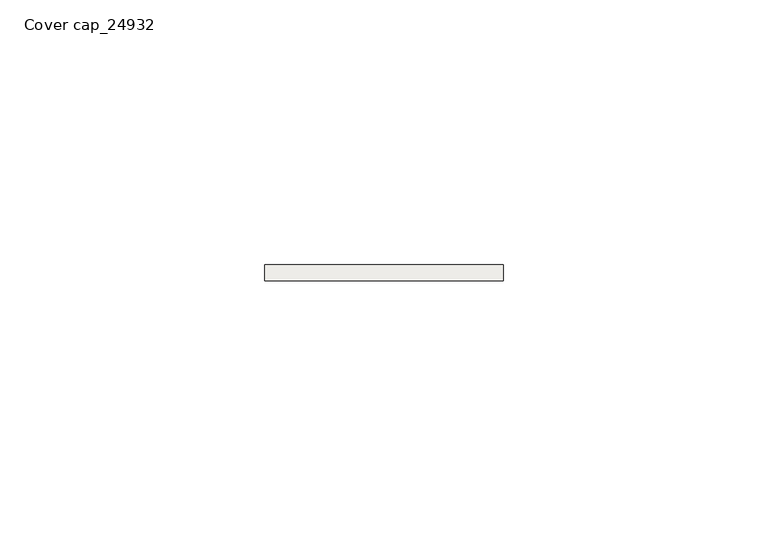
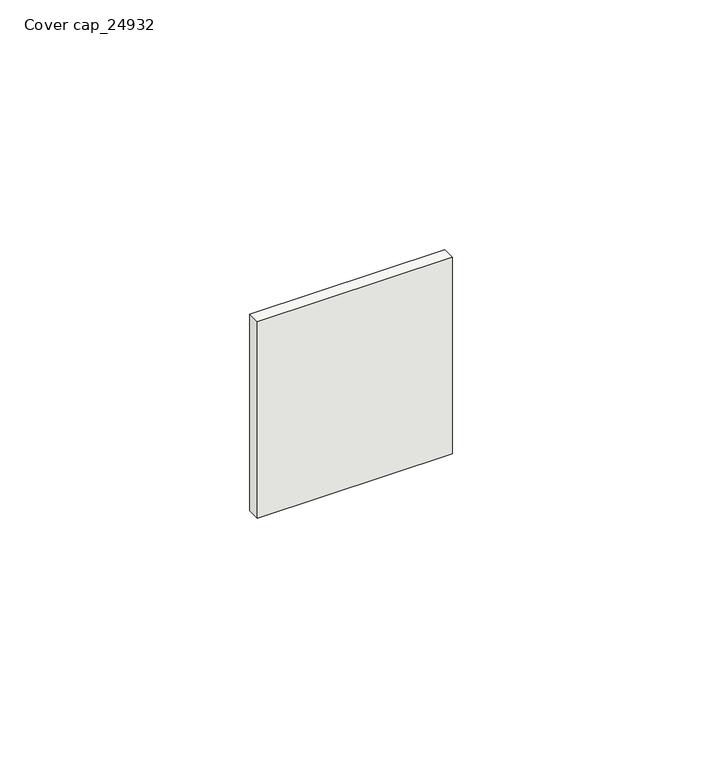
"""IFC4 building model written with IfcOpenShell, lengths in millimetres: covering geometry, Cover cap_24932."""

from ifc_helpers import new_model, si_unit, frame, origin, place, context, project, spatial, polyline, outline, extrude, source, transform, mapped, element, save


def cover_cap_24932_caeed0df(model_context):
    return source(origin(), model_context, "Body", "SweptSolid", [
        extrude(outline(polyline([(37.0, 0.0), (37.0, -3.0), (-8.0, -3.0), (-8.0, 0.0), (37.0, 0.0)])), frame((0.0, 0.0, -2.0), z_axis=(0.0, 0.0, 1.0), x_axis=(1.0, 0.0, 0.0)), (0.0, 0.0, 1.0), 48.0),
    ])


if __name__ == "__main__":
    model = new_model("IFC4")
    model_context = context("Model", 3, world=origin())
    ifc_project = project(units=[si_unit("LENGTHUNIT", "METRE", prefix="MILLI")], contexts=[model_context])
    site = spatial("IfcSite", under=ifc_project)
    building = spatial("IfcBuilding", under=site)
    placement = place(None, origin())
    cover_cap_24932_shape = cover_cap_24932_caeed0df(model_context)
    element("IfcCovering", 1, ObjectType="Cover cap_24932", at=placement, inside=building, context=model_context, shape_type="MappedRepresentation", body=[
        mapped(cover_cap_24932_shape, transform((0.0, 0.0, 0.0), x_axis=(1.0, 0.0, 0.0), y_axis=(0.0, 1.0, 0.0), z_axis=(0.0, 0.0, 1.0))),
    ])
    save(model, "model.ifc")
